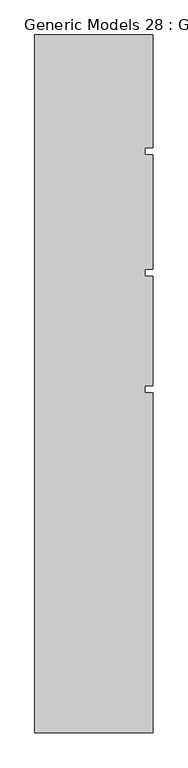
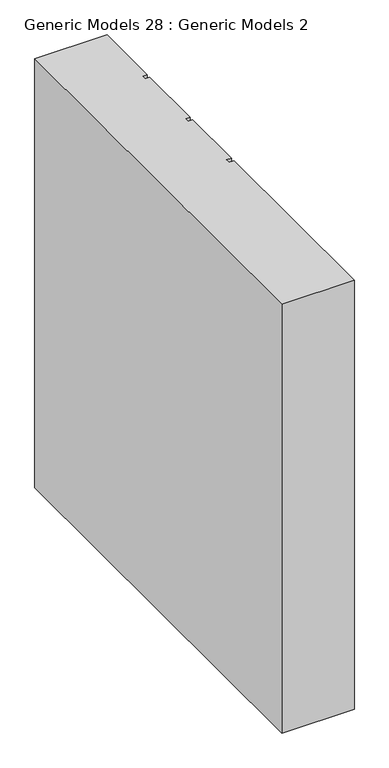
"""IFC4 building model written with IfcOpenShell, lengths in millimetres: proxy geometry, Generic Models 28 : Generic Models 2."""

from ifc_helpers import new_model, si_unit, frame, origin, place, context, project, spatial, polyline, outline, extrude, source, transform, mapped, element, save


def generic_models_28_generic_models_2_4974afe5(model_context):
    return source(origin(), model_context, "Body", "SweptSolid", [
        extrude(outline(polyline([(5233.0647246, -12592.9629303), (5720.1069397, -12592.9629303), (5720.1069397, -13057.3723427), (5688.4644391, -13057.3723427), (5688.4644391, -13087.4057756), (5720.1069397, -13087.4057756), (5720.1069397, -13557.3723427), (5688.4644391, -13557.3723427), (5688.4644391, -13587.4057756), (5720.1069397, -13587.4057756), (5720.1069397, -14037.3723427), (5688.4644391, -14037.3723427), (5688.4644391, -14067.4057756), (5720.1069397, -14067.4057756), (5720.1069397, -15468.6154552), (5233.0647246, -15468.6154552), (5233.0647246, -12592.9629303)])), frame((0.0, 0.0, 12000.0), z_axis=(0.0, 0.0, 1.0), x_axis=(1.0, 0.0, 0.0)), (0.0, 0.0, 1.0), 3044.7067261),
    ])


if __name__ == "__main__":
    model = new_model("IFC4")
    model_context = context("Model", 3, world=origin())
    ifc_project = project(units=[si_unit("LENGTHUNIT", "METRE", prefix="MILLI")], contexts=[model_context])
    site = spatial("IfcSite", under=ifc_project)
    building = spatial("IfcBuilding", under=site)
    placement = place(None, origin())
    generic_models_28_generic_models_2_shape = generic_models_28_generic_models_2_4974afe5(model_context)
    element("IfcBuildingElementProxy", 1, Name="Generic Models 28 : Generic Models 2", ObjectType="Generic Models 28 : Generic Models 2", at=placement, inside=building, context=model_context, shape_type="MappedRepresentation", body=[
        mapped(generic_models_28_generic_models_2_shape, transform((0.0, 0.0, 0.0), x_axis=(1.0, 0.0, 0.0), y_axis=(0.0, 1.0, 0.0), z_axis=(0.0, 0.0, 1.0))),
    ])
    save(model, "model.ifc")
